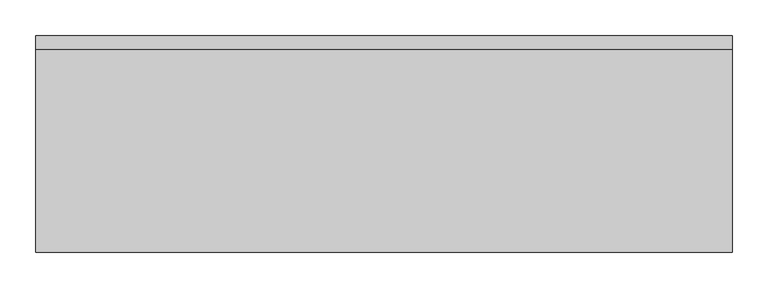
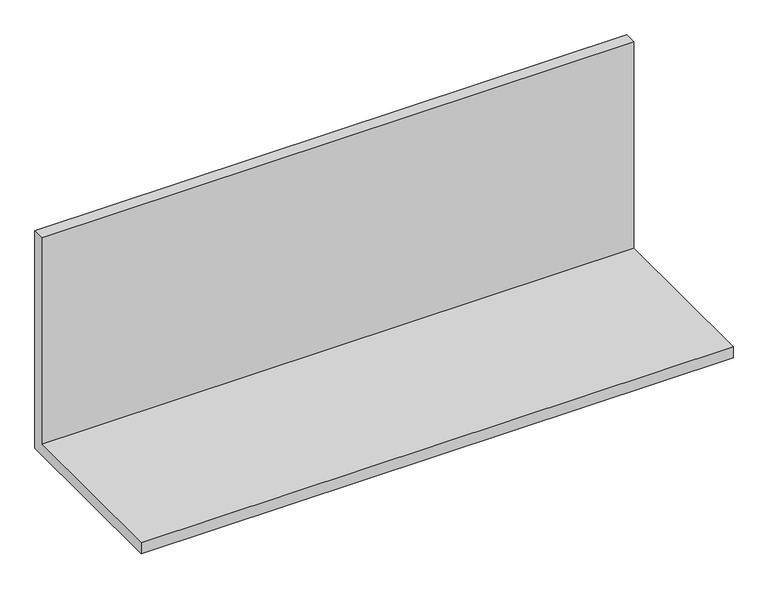
"""IFC4 building model written with IfcOpenShell, lengths in millimetres: furniture geometry."""

from ifc_helpers import new_model, si_unit, frame, origin, place, context, project, spatial, polyline, outline, extrude, source, transform, mapped, element, save


def furniture_ccfdef89(model_context):
    return source(origin(), model_context, "Body", "SweptSolid", [
        extrude(outline(polyline([(57.15, 1311.275), (-247.65, 1311.275), (-247.65, 1330.325), (38.1, 1330.325), (38.1, 1692.275), (57.15, 1692.275), (57.15, 1311.275)])), frame((0.0, 0.0, 0.0), z_axis=(1.0, 0.0, 0.0), x_axis=(0.0, 1.0, 0.0)), (0.0, 0.0, 1.0), 981.202),
    ])


if __name__ == "__main__":
    model = new_model("IFC4")
    model_context = context("Model", 3, world=origin())
    ifc_project = project(units=[si_unit("LENGTHUNIT", "METRE", prefix="MILLI")], contexts=[model_context])
    site = spatial("IfcSite", under=ifc_project)
    building = spatial("IfcBuilding", under=site)
    placement = place(None, origin())
    furniture_shape = furniture_ccfdef89(model_context)
    element("IfcFurniture", 1, at=placement, inside=building, context=model_context, shape_type="MappedRepresentation", body=[
        mapped(furniture_shape, transform((0.0, 0.0, 0.0), x_axis=(1.0, 0.0, 0.0), y_axis=(0.0, 1.0, 0.0), z_axis=(0.0, 0.0, 1.0))),
    ])
    save(model, "model.ifc")
